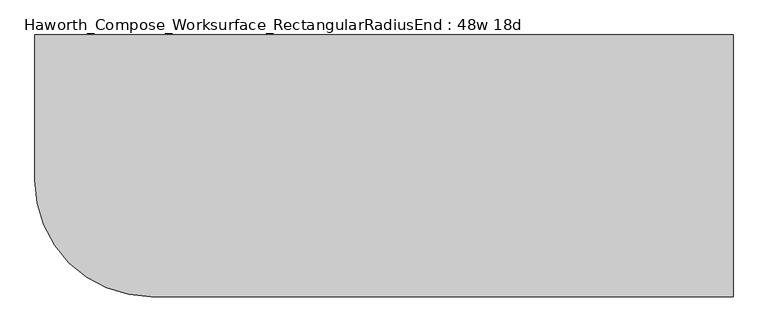
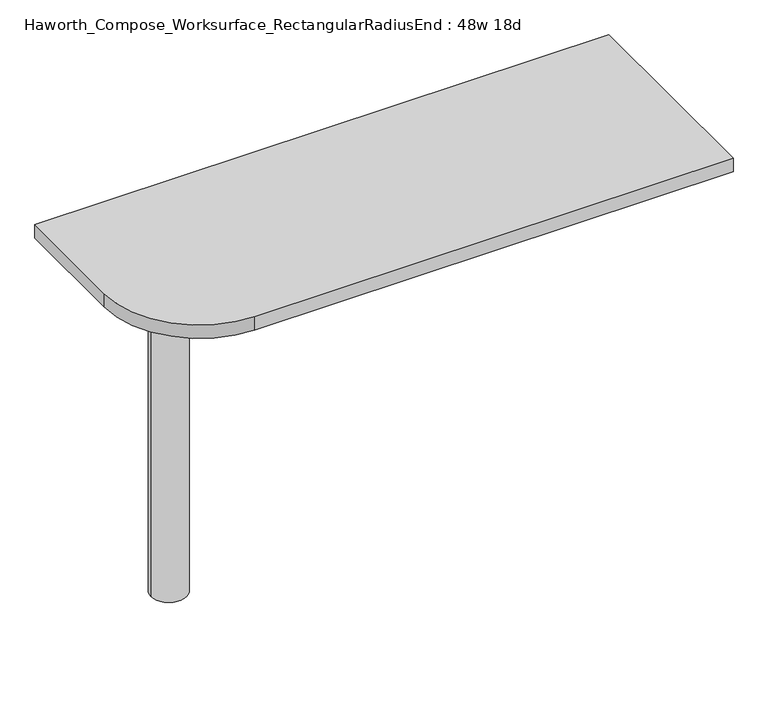
"""IFC4 building model written with IfcOpenShell, lengths in millimetres: furniture geometry, Haworth_Compose_Worksurface_RectangularRadiusEnd : 48w 18d."""

from ifc_helpers import new_model, si_unit, point, frame, frame_2d, origin, place, context, project, spatial, polyline, circle_curve, trimmed, segment, composite_curve, outline, extrude, source, transform, mapped, element, save
from ifc_brep_helpers import plane_surface, cylinder_surface, revolved_surface, advanced_brep


def haworth_compose_worksurface_rectangularradiusend_48w_18d_39e0b045(model_context):
    return source(origin(), model_context, "Body", "SolidModel", [
        advanced_brep(
        [(604.04375, 228.6, 475.45625), (604.04375, 212.725, 475.45625), (604.04375, -177.8, 691.7192568), (604.04375, -177.8, 704.05625), (604.04375, 212.725, 704.05625), (604.04375, 228.6, 704.05625), (604.04375, 145.290072, 665.95625), (604.04375, 101.6355284, 665.95625), (604.04375, 98.9564235, 656.3705539), (604.04375, 190.6776173, 605.5776439), (604.04375, 200.025, 611.1756969), (604.04375, 200.025, 634.6860246), (604.04375, 198.2730055, 637.5242776), (604.04375, 148.3663437, 665.1613425), (606.425, 228.6, 475.45625), (606.425, 228.6, 704.05625), (606.425, 212.725, 704.05625), (606.425, 212.725, 706.4375), (606.425, -177.8, 706.4375), (606.425, -177.8, 691.7192568), (606.425, 212.725, 475.45625), (606.425, 145.290072, 665.95625), (606.425, 148.3663437, 665.1613425), (606.425, 198.2730055, 637.5242776), (606.425, 200.025, 634.6860246), (606.425, 200.025, 611.1756969), (606.425, 190.6776173, 605.5776439), (606.425, 98.9564235, 656.3705539), (606.425, 101.6355284, 665.95625), (565.15, -177.8, 706.4375), (565.15, -177.8, 704.05625), (565.15, 212.725, 704.05625), (565.15, 212.725, 706.4375)],
        [
            (0, 1),
            (1, 2),
            (2, 3),
            (3, 4),
            (4, 5),
            (5, 0),
            (6, 7),
            (7, 8, circle_curve(frame((604.04375, 101.6355284, 660.7890106), z_axis=(1.0, 0.0, 0.0), x_axis=(0.0, -1.0, 0.0)), 5.1672394)),
            (8, 9),
            (9, 10, circle_curve(frame((604.04375, 193.675, 611.1756969), z_axis=(1.0, 0.0, 0.0), x_axis=(0.0, -1.0, 0.0)), 6.35)),
            (10, 11),
            (11, 12, circle_curve(frame((604.04375, 196.85, 634.6860246), z_axis=(1.0, 0.0, 0.0), x_axis=(0.0, -1.0, 0.0)), 3.175)),
            (12, 13),
            (13, 6, circle_curve(frame((604.04375, 145.290072, 659.60625), z_axis=(1.0, 0.0, 0.0), x_axis=(0.0, -1.0, 0.0)), 6.35)),
            (14, 15),
            (15, 16),
            (16, 17),
            (17, 18),
            (18, 19),
            (19, 20),
            (20, 14),
            (21, 22, circle_curve(frame((606.425, 145.290072, 659.60625), z_axis=(-1.0, 0.0, 0.0), x_axis=(0.0, -1.0, 0.0)), 6.35)),
            (22, 23),
            (23, 24, circle_curve(frame((606.425, 196.85, 634.6860246), z_axis=(-1.0, 0.0, 0.0), x_axis=(0.0, -1.0, 0.0)), 3.175)),
            (24, 25),
            (25, 26, circle_curve(frame((606.425, 193.675, 611.1756969), z_axis=(-1.0, 0.0, 0.0), x_axis=(0.0, -1.0, 0.0)), 6.35)),
            (26, 27),
            (27, 28, circle_curve(frame((606.425, 101.6355284, 660.7890106), z_axis=(-1.0, 0.0, 0.0), x_axis=(0.0, -1.0, 0.0)), 5.1672394)),
            (28, 21),
            (4, 16),
            (15, 5),
            (14, 0),
            (20, 1),
            (19, 2),
            (18, 29),
            (29, 30),
            (30, 3),
            (6, 21),
            (28, 7),
            (9, 26),
            (25, 10),
            (24, 11),
            (23, 12),
            (27, 8),
            (31, 4),
            (30, 31),
            (32, 29),
            (17, 32),
            (31, 32),
            (22, 13),
        ],
        [
            plane_surface(frame((604.04375, 228.6, 475.45625), z_axis=(-1.0, 0.0, 0.0), x_axis=(0.0, 1.0, 0.0))),
            plane_surface(frame((606.425, 228.6, 475.45625), z_axis=(1.0, 0.0, 0.0), x_axis=(0.0, -1.0, 0.0))),
            plane_surface(frame((606.425, -177.8, 704.05625), z_axis=(0.0, 0.0, 1.0), x_axis=(-1.0, 0.0, 0.0))),
            plane_surface(frame((606.425, 228.6, 704.05625), z_axis=(0.0, 1.0, 0.0), x_axis=(-1.0, 0.0, 0.0))),
            plane_surface(frame((606.425, 228.6, 475.45625), z_axis=(0.0, 0.0, -1.0), x_axis=(-1.0, 0.0, 0.0))),
            plane_surface(frame((606.425, 212.725, 475.45625), z_axis=(0.0, -0.48445223513455843, -0.8748177135112952), x_axis=(-1.0, 0.0, 0.0))),
            plane_surface(frame((606.425, -177.8, 691.7192568), z_axis=(0.0, -1.0, 0.0), x_axis=(-1.0, 0.0, 0.0))),
            plane_surface(frame((606.425, 145.290072, 665.95625), z_axis=(0.0, 0.0, -1.0), x_axis=(-1.0, 0.0, 0.0))),
            revolved_surface(polyline([(604.04375, 187.32500000000002, 611.1756969), (606.425, 187.32500000000002, 611.1756969)]), (606.425, 193.675, 611.1756969), (-1.0, 0.0, 0.0)),
            plane_surface(frame((606.425, 200.025, 611.1756969), z_axis=(0.0, -1.0, 0.0), x_axis=(-1.0, 0.0, 0.0))),
            revolved_surface(polyline([(604.04375, 193.67499999999998, 634.6860246), (606.425, 193.67499999999998, 634.6860246)]), (606.425, 196.85, 634.6860246), (-1.0, 0.0, 0.0)),
            revolved_surface(polyline([(604.04375, 96.468289, 660.7890106), (606.425, 96.468289, 660.7890106)]), (606.425, 101.6355284, 660.7890106), (-1.0, 0.0, 0.0)),
            plane_surface(frame((606.425, 212.725, 704.05625), z_axis=(0.0, 0.0, -1.0), x_axis=(-1.0, 0.0, 0.0))),
            plane_surface(frame((606.425, 212.725, 706.4375), z_axis=(0.0, 0.0, 1.0), x_axis=(1.0, 0.0, 0.0))),
            plane_surface(frame((565.15, 212.725, 706.4375), z_axis=(0.0, 1.0, 0.0), x_axis=(0.0, 0.0, -1.0))),
            plane_surface(frame((565.15, -177.8, 706.4375), z_axis=(-1.0, 0.0, 0.0), x_axis=(0.0, 0.0, -1.0))),
            plane_surface(frame((606.425, 98.9564235, 656.3705539), z_axis=(0.0, 0.4844522351345583, 0.8748177135112953), x_axis=(-1.0, 0.0, 0.0))),
            plane_surface(frame((606.425, 198.2730055, 637.5242776), z_axis=(0.0, -0.4844522351345582, -0.8748177135112953), x_axis=(-1.0, 0.0, 0.0))),
            revolved_surface(polyline([(604.04375, 138.94007200000001, 659.60625), (606.425, 138.94007200000001, 659.60625)]), (606.425, 145.290072, 659.60625), (-1.0, 0.0, 0.0)),
        ],
        [
            (0, [[1, 2, 3, 4, 5, 6], [7, 8, 9, 10, 11, 12, 13, 14]]),
            (1, [[15, 16, 17, 18, 19, 20, 21], [22, 23, 24, 25, 26, 27, 28, 29]]),
            (2, [[-5, 30, -16, 31]]),
            (3, [[-31, -15, 32, -6]]),
            (4, [[-32, -21, 33, -1]]),
            (5, [[-33, -20, 34, -2]]),
            (6, [[-34, -19, 35, 36, 37, -3]]),
            (7, [[38, -29, 39, -7]]),
            (8, [[40, -26, 41, -10]]),
            (9, [[-41, -25, 42, -11]]),
            (10, [[-42, -24, 43, -12]]),
            (11, [[-39, -28, 44, -8]]),
            (12, [[45, -4, -37, 46]]),
            (13, [[47, -35, -18, 48]]),
            (14, [[-17, -30, -45, 49, -48]]),
            (15, [[-36, -47, -49, -46]]),
            (16, [[-44, -27, -40, -9]]),
            (17, [[-43, -23, 50, -13]]),
            (18, [[-50, -22, -38, -14]]),
        ],
    ),
        advanced_brep(
        [(-419.1, 0.0, 706.4375), (-495.3, 0.0, 706.4375), (-457.2, 0.0, 706.4375), (-419.1, 0.0, 0.0), (-495.3, 0.0, 0.0), (-457.2, 0.0, 0.0)],
        [
            (0, 1, circle_curve(frame((-457.2, 0.0, 706.4375), z_axis=(0.0, 0.0, 1.0), x_axis=(-1.0, 0.0, 0.0)), 38.1)),
            (1, 2),
            (2, 0),
            (1, 0, circle_curve(frame((-457.2, 0.0, 706.4375), z_axis=(0.0, 0.0, 1.0), x_axis=(-1.0, 0.0, 0.0)), 38.1)),
            (3, 4, circle_curve(frame((-457.2, 0.0, 0.0), z_axis=(0.0, 0.0, 1.0), x_axis=(-1.0, 0.0, 0.0)), 38.1)),
            (4, 1),
            (0, 3),
            (4, 3, circle_curve(frame((-457.2, 0.0, 0.0), z_axis=(0.0, 0.0, 1.0), x_axis=(-1.0, 0.0, 0.0)), 38.1)),
            (5, 4),
            (3, 5),
        ],
        [
            plane_surface(frame((-457.2, 0.0, 706.4375), z_axis=(0.0, 0.0, 1.0), x_axis=(-1.0, 0.0, 0.0))),
            cylinder_surface(frame((-457.2, 0.0, 889.623257), z_axis=(0.0, 0.0, -1.0), x_axis=(-1.0, 0.0, 0.0)), 38.1),
            plane_surface(frame((-457.2, 0.0, 0.0), z_axis=(0.0, 0.0, -1.0), x_axis=(-1.0, 0.0, 0.0))),
        ],
        [
            (0, [[1, 2, 3]]),
            (0, [[4, -3, -2]]),
            (1, [[5, 6, -1, 7]]),
            (1, [[8, -7, -4, -6]]),
            (2, [[9, -5, 10]]),
            (2, [[-10, -8, -9]]),
        ],
    ),
        extrude(outline(composite_curve([segment(polyline([(609.6, 228.6), (609.6, -228.6), (-406.4, -228.6)]), True, "CONTINUOUS"), segment(trimmed(circle_curve(frame_2d((-406.4, -25.4)), 203.2), [point((-406.4, -228.6))], [point((-609.6, -25.4))], False, "CARTESIAN"), True, "CONTINUOUS"), segment(polyline([(-609.6, -25.4), (-609.6, 228.6), (609.6, 228.6)]), True, "CONTINUOUS")], self_intersect=False)), frame((0.0, 0.0, 706.4375), z_axis=(0.0, 0.0, 1.0), x_axis=(1.0, 0.0, 0.0)), (0.0, 0.0, 1.0), 30.1625),
    ])


if __name__ == "__main__":
    model = new_model("IFC4")
    model_context = context("Model", 3, world=origin())
    ifc_project = project(units=[si_unit("LENGTHUNIT", "METRE", prefix="MILLI")], contexts=[model_context])
    site = spatial("IfcSite", under=ifc_project)
    building = spatial("IfcBuilding", under=site)
    placement = place(None, origin())
    haworth_compose_worksurface_rectangularradiusend_48w_18d_shape = haworth_compose_worksurface_rectangularradiusend_48w_18d_39e0b045(model_context)
    element("IfcFurniture", 1, ObjectType="Haworth_Compose_Worksurface_RectangularRadiusEnd : 48w 18d", at=placement, inside=building, context=model_context, shape_type="MappedRepresentation", body=[
        mapped(haworth_compose_worksurface_rectangularradiusend_48w_18d_shape, transform((0.0, 0.0, 0.0), x_axis=(1.0, 0.0, 0.0), y_axis=(0.0, 1.0, 0.0), z_axis=(0.0, 0.0, 1.0))),
    ])
    save(model, "model.ifc")
